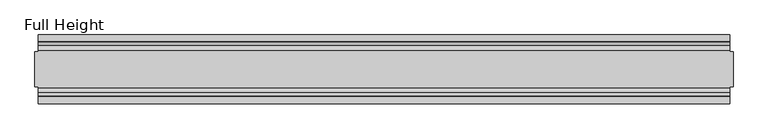
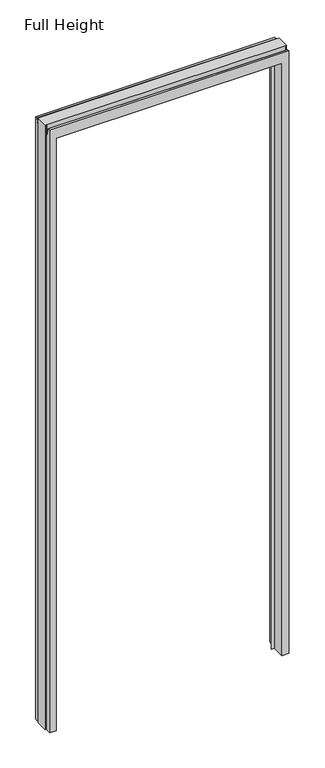
"""IFC4 building model written with IfcOpenShell, lengths in millimetres: plate geometry, Full Height."""

from ifc_helpers import new_model, si_unit, frame, origin, place, context, project, spatial, polyline, circle_curve, source, transform, mapped, element, save
from ifc_brep_helpers import plane_surface, cylinder_surface, revolved_surface, advanced_brep


def full_height_afc47f87(model_context):
    return source(origin(), model_context, "Body", "AdvancedBrep", [
        advanced_brep(
        [(-503.420787, 50.0, 0.0), (-481.322787, 50.0, 0.0), (-475.353787, 6.1006519, 0.0), (-462.653787, 6.1006519, 0.0), (-462.653787, 4.8306519, 0.0), (-475.353787, 4.8306519, 0.0), (-475.353787, -50.0, 0.0), (-503.420787, -50.0, 0.0), (-503.420787, -25.146, 0.0), (-507.992787, -25.146, 0.0), (-507.992787, 25.146, 0.0), (-503.420787, 25.146, 0.0), (503.420787, -50.0, 0.0), (475.353787, -50.0, 0.0), (475.353787, 4.8306519, 0.0), (462.653787, 4.8306519, 0.0), (462.653787, 6.1006519, 0.0), (475.353787, 6.1006519, 0.0), (481.322787, 50.0, 0.0), (503.420787, 50.0, 0.0), (503.420787, 25.146, 0.0), (507.992787, 25.146, 0.0), (507.992787, -25.146, 0.0), (503.420787, -25.146, 0.0), (507.992787, 25.146, 2688.336), (503.420787, 25.146, 2688.336), (503.420787, 26.67, 2688.336), (-503.420787, 26.67, 2688.336), (-503.420787, 25.146, 2688.336), (-507.992787, 25.146, 2688.336), (-507.992787, -25.146, 2688.336), (-503.420787, -25.146, 2688.336), (-503.420787, -26.67, 2688.336), (503.420787, -26.67, 2688.336), (503.420787, -25.146, 2688.336), (507.992787, -25.146, 2688.336), (-503.420787, -50.0, 2679.192), (-503.420787, -39.9371387, 2679.192), (-503.420787, -39.1867152, 2678.5623199), (-503.420787, -34.2321175, 2650.4634004), (-503.420787, -26.67, 2651.125), (-503.420787, 26.67, 2651.125), (-503.420787, 34.2321175, 2650.4634004), (-503.420787, 39.1867152, 2678.5623199), (-503.420787, 39.9371387, 2679.192), (-503.420787, 50.0, 2679.192), (-475.353787, -50.0, 2634.615), (475.353787, -50.0, 2634.615), (503.420787, -50.0, 2679.192), (503.420787, 50.0, 2679.192), (481.322787, 50.0, 2634.615), (-481.322787, 50.0, 2634.615), (503.420787, 39.9371387, 2679.192), (503.420787, 39.1867152, 2678.5623199), (503.420787, 34.2321175, 2650.4634004), (503.420787, 26.67, 2651.125), (503.420787, -26.67, 2651.125), (503.420787, -34.2321175, 2650.4634004), (503.420787, -39.1867152, 2678.5623199), (503.420787, -39.9371387, 2679.192), (-475.353787, 4.8306519, 2634.615), (475.353787, 4.8306519, 2634.615), (-462.653787, 4.8306519, 2590.546), (462.653787, 4.8306519, 2590.546), (-462.653787, 6.1006519, 2590.546), (-475.353787, 6.1006519, 2628.646), (475.353787, 6.1006519, 2628.646), (462.653787, 6.1006519, 2590.546)],
        [
            (0, 1),
            (1, 2),
            (2, 3),
            (3, 4),
            (4, 5),
            (5, 6),
            (6, 7),
            (7, 8),
            (8, 9),
            (9, 10),
            (10, 11),
            (11, 0),
            (12, 13),
            (13, 14),
            (14, 15),
            (15, 16),
            (16, 17),
            (17, 18),
            (18, 19),
            (19, 20),
            (20, 21),
            (21, 22),
            (22, 23),
            (23, 12),
            (24, 25),
            (25, 26),
            (26, 27),
            (27, 28),
            (28, 29),
            (29, 30),
            (30, 31),
            (31, 32),
            (32, 33),
            (33, 34),
            (34, 35),
            (35, 24),
            (20, 25),
            (24, 21),
            (34, 23),
            (22, 35),
            (29, 10),
            (9, 30),
            (8, 31),
            (28, 11),
            (7, 36),
            (36, 37),
            (37, 38, circle_curve(frame((-503.420787, -39.9371387, 2678.43), z_axis=(-1.0, 0.0, 0.0), x_axis=(0.0, -1.0, 0.0)), 0.762)),
            (38, 39),
            (39, 40, circle_curve(frame((-503.420787, -30.48, 2651.125), z_axis=(1.0, 0.0, 0.0), x_axis=(0.0, -1.0, 0.0)), 3.81)),
            (40, 32),
            (27, 41),
            (41, 42, circle_curve(frame((-503.420787, 30.48, 2651.125), z_axis=(1.0, 0.0, 0.0), x_axis=(0.0, -1.0, 0.0)), 3.81)),
            (42, 43),
            (43, 44, circle_curve(frame((-503.420787, 39.9371387, 2678.43), z_axis=(-1.0, 0.0, 0.0), x_axis=(0.0, -1.0, 0.0)), 0.762)),
            (44, 45),
            (45, 0),
            (6, 46),
            (46, 47),
            (47, 13),
            (12, 48),
            (48, 36),
            (45, 49),
            (49, 19),
            (18, 50),
            (50, 51),
            (51, 1),
            (49, 52),
            (52, 53, circle_curve(frame((503.420787, 39.9371387, 2678.43), z_axis=(1.0, 0.0, 0.0), x_axis=(0.0, -1.0, 0.0)), 0.762)),
            (53, 54),
            (54, 55, circle_curve(frame((503.420787, 30.48, 2651.125), z_axis=(-1.0, 0.0, 0.0), x_axis=(0.0, -1.0, 0.0)), 3.81)),
            (55, 26),
            (33, 56),
            (56, 57, circle_curve(frame((503.420787, -30.48, 2651.125), z_axis=(-1.0, 0.0, 0.0), x_axis=(0.0, -1.0, 0.0)), 3.81)),
            (57, 58),
            (58, 59, circle_curve(frame((503.420787, -39.9371387, 2678.43), z_axis=(1.0, 0.0, 0.0), x_axis=(0.0, -1.0, 0.0)), 0.762)),
            (59, 48),
            (5, 60),
            (60, 46),
            (61, 14),
            (47, 61),
            (4, 62),
            (62, 63),
            (63, 15),
            (61, 60),
            (3, 64),
            (64, 62),
            (2, 65),
            (65, 66),
            (66, 17),
            (16, 67),
            (67, 64),
            (51, 65),
            (66, 50),
            (63, 67),
            (55, 41),
            (54, 42),
            (53, 43),
            (52, 44),
            (59, 37),
            (58, 38),
            (57, 39),
            (56, 40),
        ],
        [
            plane_surface(frame((-503.420787, -50.0, 0.0), z_axis=(0.0, 0.0, -1.0), x_axis=(0.0, 1.0, 0.0))),
            plane_surface(frame((503.420787, 25.146, 2688.336), z_axis=(0.0, 0.0, 1.0), x_axis=(-1.0, 0.0, 0.0))),
            plane_surface(frame((507.992787, 25.146, 2688.336), z_axis=(0.0, 1.0, 0.0), x_axis=(0.0, 0.0, -1.0))),
            plane_surface(frame((503.420787, -25.146, 2688.336), z_axis=(0.0, -1.0, 0.0), x_axis=(0.0, 0.0, -1.0))),
            plane_surface(frame((507.992787, -25.146, 2688.336), z_axis=(1.0, 0.0, 0.0), x_axis=(0.0, 0.0, -1.0))),
            plane_surface(frame((-507.992787, 25.146, 2688.336), z_axis=(-1.0, 0.0, 0.0), x_axis=(0.0, 0.0, -1.0))),
            plane_surface(frame((-507.992787, -25.146, 2688.336), z_axis=(0.0, -1.0, 0.0), x_axis=(0.0, 0.0, -1.0))),
            plane_surface(frame((-503.420787, 25.146, 2688.336), z_axis=(0.0, 1.0, 0.0), x_axis=(0.0, 0.0, -1.0))),
            plane_surface(frame((-503.420787, 50.0, 2646.4006), z_axis=(-1.0, 0.0, 0.0), x_axis=(0.0, 0.0, -1.0))),
            plane_surface(frame((-503.420787, -50.0, 2646.4006), z_axis=(0.0, -1.0, 0.0), x_axis=(0.0, 0.0, -1.0))),
            plane_surface(frame((-481.322787, 50.0, 2646.4006), z_axis=(0.0, 1.0, 0.0), x_axis=(0.0, 0.0, -1.0))),
            plane_surface(frame((503.420787, -50.0, 2646.4006), z_axis=(1.0, 0.0, 0.0), x_axis=(0.0, 0.0, -1.0))),
            plane_surface(frame((-475.353787, -50.0, 2646.4006), z_axis=(1.0, 0.0, 0.0), x_axis=(0.0, 0.0, -1.0))),
            plane_surface(frame((475.353787, 4.8306519, 2646.4006), z_axis=(-1.0, 0.0, 0.0), x_axis=(0.0, 0.0, -1.0))),
            plane_surface(frame((-475.353787, 4.8306519, 2646.4006), z_axis=(0.0, -1.0, 0.0), x_axis=(0.0, 0.0, -1.0))),
            plane_surface(frame((-462.653787, 4.8306519, 2646.4006), z_axis=(1.0, 0.0, 0.0), x_axis=(0.0, 0.0, -1.0))),
            plane_surface(frame((-462.653787, 6.1006519, 2646.4006), z_axis=(0.0, 1.0, 0.0), x_axis=(0.0, 0.0, -1.0))),
            plane_surface(frame((-475.353787, 6.1006519, 2646.4006), z_axis=(0.9908822943533607, 0.13473039277393886, 0.0), x_axis=(0.0, 0.0, -1.0))),
            plane_surface(frame((481.322787, 50.0, 2646.4006), z_axis=(-0.9908822943533605, 0.13473039277394036, 0.0), x_axis=(0.0, 0.0, -1.0))),
            plane_surface(frame((462.653787, 6.1006519, 2646.4006), z_axis=(-1.0, 0.0, 0.0), x_axis=(0.0, 0.0, -1.0))),
            plane_surface(frame((-503.420787, 26.67, 2688.336), z_axis=(0.0, 1.0, 0.0), x_axis=(1.0, 0.0, 0.0))),
            revolved_surface(polyline([(503.420787, 26.67, 2651.125), (-503.420787, 26.67, 2651.125)]), (503.420787, 30.48, 2651.125), (1.0, 0.0, 0.0)),
            plane_surface(frame((-503.420787, 34.2321175, 2650.4634004), z_axis=(0.0, -0.9848077530121587, 0.1736481776672104), x_axis=(1.0, 0.0, 0.0))),
            cylinder_surface(frame((503.420787, 39.9371387, 2678.43), z_axis=(-1.0, 0.0, 0.0), x_axis=(0.0, -1.0, 0.0)), 0.762),
            plane_surface(frame((-503.420787, 39.9371387, 2679.192), z_axis=(0.0, 0.0, 1.0), x_axis=(1.0, 0.0, 0.0))),
            plane_surface(frame((-503.420787, 4.8306519, 2634.615), z_axis=(0.0, 0.0, -1.0), x_axis=(1.0, 0.0, 0.0))),
            plane_surface(frame((-503.420787, -50.0, 2679.192), z_axis=(0.0, 0.0, 1.0), x_axis=(1.0, 0.0, 0.0))),
            cylinder_surface(frame((503.420787, -39.9371387, 2678.43), z_axis=(-1.0, 0.0, 0.0), x_axis=(0.0, -1.0, 0.0)), 0.762),
            plane_surface(frame((-503.420787, -39.1867152, 2678.5623199), z_axis=(0.0, 0.9848077530121684, 0.17364817766715548), x_axis=(1.0, 0.0, 0.0))),
            revolved_surface(polyline([(503.420787, -34.29, 2651.125), (-503.420787, -34.29, 2651.125)]), (503.420787, -30.48, 2651.125), (1.0, 0.0, 0.0)),
            plane_surface(frame((-503.420787, -26.67, 2651.125), z_axis=(0.0, -1.0, 0.0), x_axis=(1.0, 0.0, 0.0))),
            plane_surface(frame((-503.420787, 50.0, 2634.615), z_axis=(0.0, 0.13473039277391335, -0.9908822943533642), x_axis=(1.0, 0.0, 0.0))),
            plane_surface(frame((-503.420787, 6.1006519, 2590.546), z_axis=(0.0, 0.0, -1.0), x_axis=(1.0, 0.0, 0.0))),
        ],
        [
            (0, [[1, 2, 3, 4, 5, 6, 7, 8, 9, 10, 11, 12]]),
            (0, [[13, 14, 15, 16, 17, 18, 19, 20, 21, 22, 23, 24]]),
            (1, [[25, 26, 27, 28, 29, 30, 31, 32, 33, 34, 35, 36]]),
            (2, [[37, -25, 38, -21]]),
            (3, [[-35, 39, -23, 40]]),
            (4, [[-36, -40, -22, -38]]),
            (5, [[-30, 41, -10, 42]]),
            (6, [[43, -31, -42, -9]]),
            (7, [[-29, 44, -11, -41]]),
            (8, [[-8, 45, 46, 47, 48, 49, 50, -32, -43]]),
            (8, [[-12, -44, -28, 51, 52, 53, 54, 55, 56]]),
            (9, [[-45, -7, 57, 58, 59, -13, 60, 61]]),
            (10, [[-1, -56, 62, 63, -19, 64, 65, 66]]),
            (11, [[-20, -63, 67, 68, 69, 70, 71, -26, -37]]),
            (11, [[-60, -24, -39, -34, 72, 73, 74, 75, 76]]),
            (12, [[-6, 77, 78, -57]]),
            (13, [[79, -14, -59, 80]]),
            (14, [[-5, 81, 82, 83, -15, -79, 84, -77]]),
            (15, [[-4, 85, 86, -81]]),
            (16, [[-3, 87, 88, 89, -17, 90, 91, -85]]),
            (17, [[-87, -2, -66, 92]]),
            (18, [[-18, -89, 93, -64]]),
            (19, [[-16, -83, 94, -90]]),
            (20, [[-51, -27, -71, 95]]),
            (21, [[-52, -95, -70, 96]]),
            (22, [[-53, -96, -69, 97]]),
            (23, [[-54, -97, -68, 98]]),
            (24, [[-55, -98, -67, -62]]),
            (25, [[-58, -78, -84, -80]]),
            (26, [[-46, -61, -76, 99]]),
            (27, [[-47, -99, -75, 100]]),
            (28, [[-48, -100, -74, 101]]),
            (29, [[-49, -101, -73, 102]]),
            (30, [[-50, -102, -72, -33]]),
            (31, [[-65, -93, -88, -92]]),
            (32, [[-91, -94, -82, -86]]),
        ],
    ),
    ])


if __name__ == "__main__":
    model = new_model("IFC4")
    model_context = context("Model", 3, world=origin())
    ifc_project = project(units=[si_unit("LENGTHUNIT", "METRE", prefix="MILLI")], contexts=[model_context])
    site = spatial("IfcSite", under=ifc_project)
    building = spatial("IfcBuilding", under=site)
    placement = place(None, origin())
    full_height_shape = full_height_afc47f87(model_context)
    element("IfcPlate", 1, ObjectType="Full Height", at=placement, inside=building, context=model_context, shape_type="MappedRepresentation", body=[
        mapped(full_height_shape, transform((0.0, 0.0, 0.0), x_axis=(1.0, 0.0, 0.0), y_axis=(0.0, 1.0, 0.0), z_axis=(0.0, 0.0, 1.0))),
    ])
    save(model, "model.ifc")
